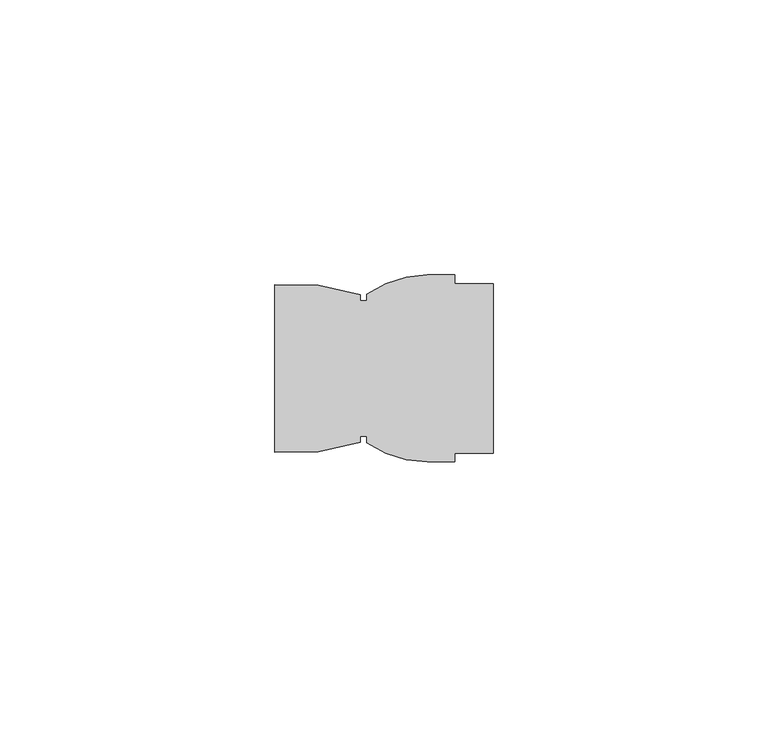
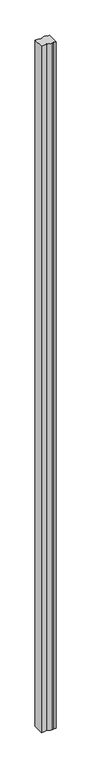
"""IFC4 building model written with IfcOpenShell, lengths in millimetres: member geometry."""

from ifc_helpers import new_model, si_unit, point, frame, frame_2d, origin, place, context, project, spatial, polyline, circle_curve, trimmed, segment, composite_curve, outline, extrude, source, transform, mapped, element, save


def member_127df3ba(model_context):
    return source(origin(), model_context, "Body", "SweptSolid", [
        extrude(outline(composite_curve([segment(polyline([(-22.919617, 6.357), (-22.919617, 7.507), (-24.1221188, 7.507), (-24.1221188, 6.4514885)]), True, "CONTINUOUS"), segment(trimmed(circle_curve(frame_2d((-36.1221179, 42.5070015)), 38.0), [point((-24.1221188, 6.4514885))], [point((-39.6397368, 4.6701629))], False, "CARTESIAN"), True, "CONTINUOUS"), segment(polyline([(-39.6397368, 4.6701629), (-39.6397368, 35.043835)]), True, "CONTINUOUS"), segment(trimmed(circle_curve(frame_2d((-36.1221179, -2.7930036)), 38.0), [point((-39.6397368, 35.043835))], [point((-24.1221189, 33.2625095))], False, "CARTESIAN"), True, "CONTINUOUS"), segment(polyline([(-24.1221189, 33.2625095), (-24.1221189, 32.207), (-22.919617, 32.207), (-22.919617, 33.357)]), True, "CONTINUOUS"), segment(trimmed(circle_curve(frame_2d((-11.613544, 16.8593422)), 20.0), [point((-22.919617, 33.357))], [point((-11.919617, 36.857))], False, "CARTESIAN"), True, "CONTINUOUS"), segment(polyline([(-11.919617, 36.857), (-6.919617, 36.857), (-6.919617, 35.307), (0.0, 35.307), (0.0, 4.407), (-6.919617, 4.407), (-6.919617, 2.857), (-11.919617, 2.857)]), True, "CONTINUOUS"), segment(trimmed(circle_curve(frame_2d((-11.613544, 22.8546578)), 20.0), [point((-11.919617, 2.857))], [point((-22.919617, 6.357))], False, "CARTESIAN"), True, "CONTINUOUS")], self_intersect=False)), frame((0.0, 0.0, -2000.0), z_axis=(0.0, 0.0, 1.0), x_axis=(1.0, 0.0, 0.0)), (0.0, 0.0, 1.0), 2000.0),
    ])


if __name__ == "__main__":
    model = new_model("IFC4")
    model_context = context("Model", 3, world=origin())
    ifc_project = project(units=[si_unit("LENGTHUNIT", "METRE", prefix="MILLI")], contexts=[model_context])
    site = spatial("IfcSite", under=ifc_project)
    building = spatial("IfcBuilding", under=site)
    placement = place(None, origin())
    member_shape = member_127df3ba(model_context)
    element("IfcMember", 1, at=placement, inside=building, context=model_context, shape_type="MappedRepresentation", body=[
        mapped(member_shape, transform((0.0, 0.0, 0.0), x_axis=(1.0, 0.0, 0.0), y_axis=(0.0, 1.0, 0.0), z_axis=(0.0, 0.0, 1.0))),
    ])
    save(model, "model.ifc")
